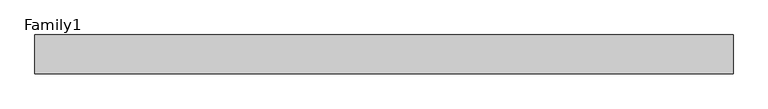
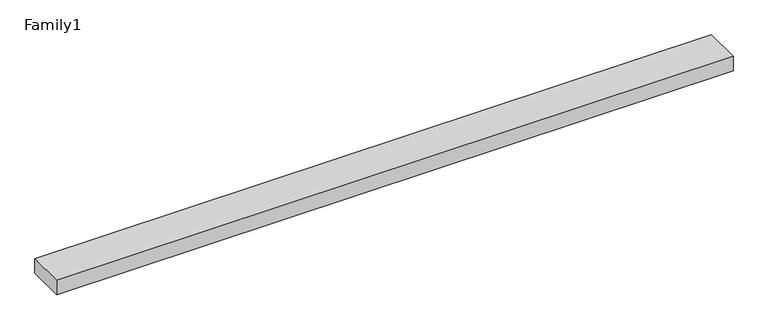
"""IFC4 building model written with IfcOpenShell, lengths in millimetres: proxy geometry, Family1."""

from ifc_helpers import new_model, si_unit, origin, origin_with_axes, place, context, project, spatial, polyline, outline, extrude, source, transform, mapped, element, save


def family1_826b597e(model_context):
    return source(origin(), model_context, "Body", "SweptSolid", [
        extrude(outline(polyline([(90000.0, 0.0), (0.0, 0.0), (0.0, 5000.0), (90000.0, 5000.0), (90000.0, 0.0)])), origin_with_axes(), (0.0, 0.0, 1.0), 1987.0),
    ])


if __name__ == "__main__":
    model = new_model("IFC4")
    model_context = context("Model", 3, world=origin())
    ifc_project = project(units=[si_unit("LENGTHUNIT", "METRE", prefix="MILLI")], contexts=[model_context])
    site = spatial("IfcSite", under=ifc_project)
    building = spatial("IfcBuilding", under=site)
    placement = place(None, origin())
    family1_shape = family1_826b597e(model_context)
    element("IfcBuildingElementProxy", 1, Name="Family1", ObjectType="Family1", at=placement, inside=building, context=model_context, shape_type="MappedRepresentation", body=[
        mapped(family1_shape, transform((0.0, 0.0, 0.0), x_axis=(1.0, 0.0, 0.0), y_axis=(0.0, 1.0, 0.0), z_axis=(0.0, 0.0, 1.0))),
    ])
    save(model, "model.ifc")
